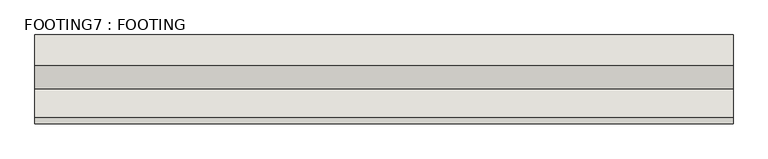
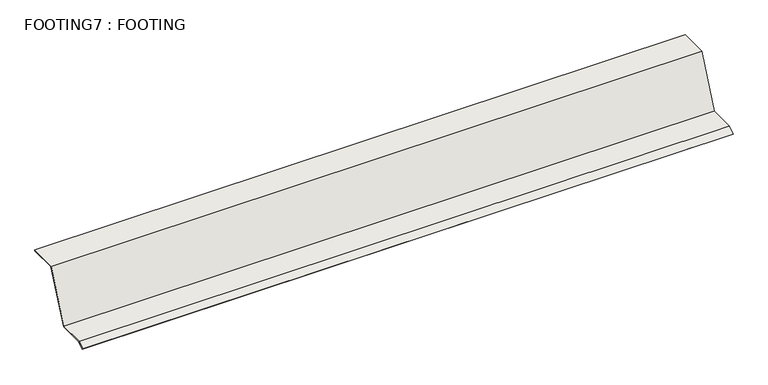
"""IFC4 building model written with IfcOpenShell, lengths in millimetres: wall geometry, FOOTING7 : FOOTING."""

from ifc_helpers import new_model, si_unit, frame, origin, place, context, project, spatial, polyline, outline, extrude, source, transform, mapped, element, save


def footing7_footing_dce2868c(model_context):
    return source(origin(), model_context, "Body", "SweptSolid", [
        extrude(outline(polyline([(2491.301444, -190.5), (2468.7142059, -206.3157544), (2466.8931007, -203.7149467), (2490.3003704, -187.325), (2588.4992332, -187.325), (2670.4672256, 0.0), (2776.0503704, 0.0), (2776.0503704, -3.175), (2672.54359, -3.175), (2590.5755975, -190.5), (2491.301444, -190.5)])), frame((-597.1939032, 0.0, 0.0), z_axis=(1.0, 0.0, 0.0), x_axis=(0.0, 1.0, 0.0)), (0.0, 0.0, 1.0), 2425.7),
    ])


if __name__ == "__main__":
    model = new_model("IFC4")
    model_context = context("Model", 3, world=origin())
    ifc_project = project(units=[si_unit("LENGTHUNIT", "METRE", prefix="MILLI")], contexts=[model_context])
    site = spatial("IfcSite", under=ifc_project)
    building = spatial("IfcBuilding", under=site)
    placement = place(None, origin())
    footing7_footing_shape = footing7_footing_dce2868c(model_context)
    element("IfcWall", 1, ObjectType="FOOTING7 : FOOTING", at=placement, inside=building, context=model_context, shape_type="MappedRepresentation", body=[
        mapped(footing7_footing_shape, transform((0.0, 0.0, 0.0), x_axis=(1.0, 0.0, 0.0), y_axis=(0.0, 1.0, 0.0), z_axis=(0.0, 0.0, 1.0))),
    ])
    save(model, "model.ifc")
